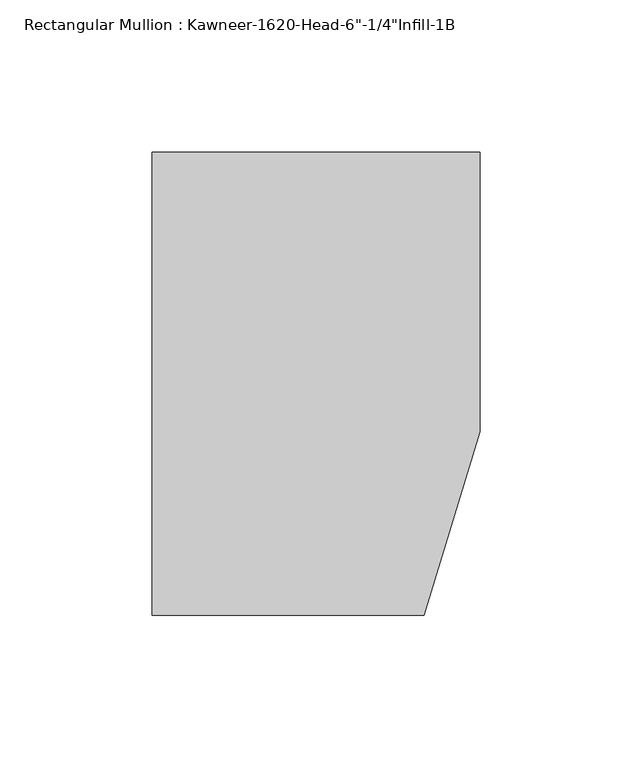
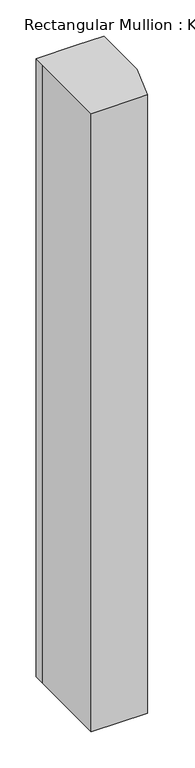
"""IFC4 building model written with IfcOpenShell, lengths in millimetres: member geometry."""

from ifc_helpers import new_model, si_unit, frame, origin, place, context, project, spatial, polyline, outline, extrude, source, transform, mapped, element, save


def member_3791359d(model_context):
    return source(origin(), model_context, "Body", "SweptSolid", [
        extrude(outline(polyline([(-107.95, 10.3845466), (-107.95, 28.575), (-44.1519366, 28.575), (0.0, 28.575), (0.0, -63.5), (-18.3538271, -123.825), (-107.95, -123.825), (-107.95, 10.3845466)])), frame((0.0, 0.0, -1041.0693107), z_axis=(0.0, 0.0, 1.0), x_axis=(1.0, 0.0, 0.0)), (0.0, 0.0, 1.0), 1041.0693107),
    ])


if __name__ == "__main__":
    model = new_model("IFC4")
    model_context = context("Model", 3, world=origin())
    ifc_project = project(units=[si_unit("LENGTHUNIT", "METRE", prefix="MILLI")], contexts=[model_context])
    site = spatial("IfcSite", under=ifc_project)
    building = spatial("IfcBuilding", under=site)
    placement = place(None, origin())
    member_shape = member_3791359d(model_context)
    element("IfcMember", 1, ObjectType="Rectangular Mullion : Kawneer-1620-Head-6\"-1/4\"Infill-1B", at=placement, inside=building, context=model_context, shape_type="MappedRepresentation", body=[
        mapped(member_shape, transform((0.0, 0.0, 0.0), x_axis=(1.0, 0.0, 0.0), y_axis=(0.0, 1.0, 0.0), z_axis=(0.0, 0.0, 1.0))),
    ])
    save(model, "model.ifc")
